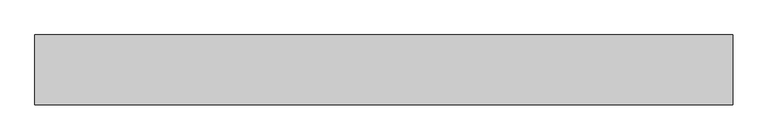
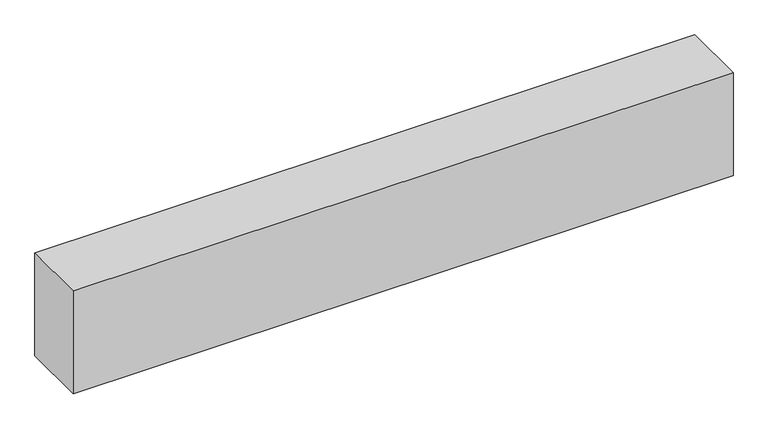
"""IFC4 building model written with IfcOpenShell, lengths in millimetres: proxy geometry."""

from ifc_helpers import new_model, si_unit, origin, origin_with_axes, place, context, project, spatial, polyline, outline, extrude, source, transform, mapped, element, save


def generic_models_92f2b1cf(model_context):
    return source(origin(), model_context, "Body", "SweptSolid", [
        extrude(outline(polyline([(4000.0, 400.0), (4000.0, 0.0), (0.0, 0.0), (0.0, 400.0), (4000.0, 400.0)])), origin_with_axes(), (0.0, 0.0, 1.0), 658.6076514),
    ])


if __name__ == "__main__":
    model = new_model("IFC4")
    model_context = context("Model", 3, world=origin())
    ifc_project = project(units=[si_unit("LENGTHUNIT", "METRE", prefix="MILLI")], contexts=[model_context])
    site = spatial("IfcSite", under=ifc_project)
    building = spatial("IfcBuilding", under=site)
    placement = place(None, origin())
    generic_models_shape = generic_models_92f2b1cf(model_context)
    element("IfcBuildingElementProxy", 1, Name="Generic Models", at=placement, inside=building, context=model_context, shape_type="MappedRepresentation", body=[
        mapped(generic_models_shape, transform((0.0, 0.0, 0.0), x_axis=(1.0, 0.0, 0.0), y_axis=(0.0, 1.0, 0.0), z_axis=(0.0, 0.0, 1.0))),
    ])
    save(model, "model.ifc")
